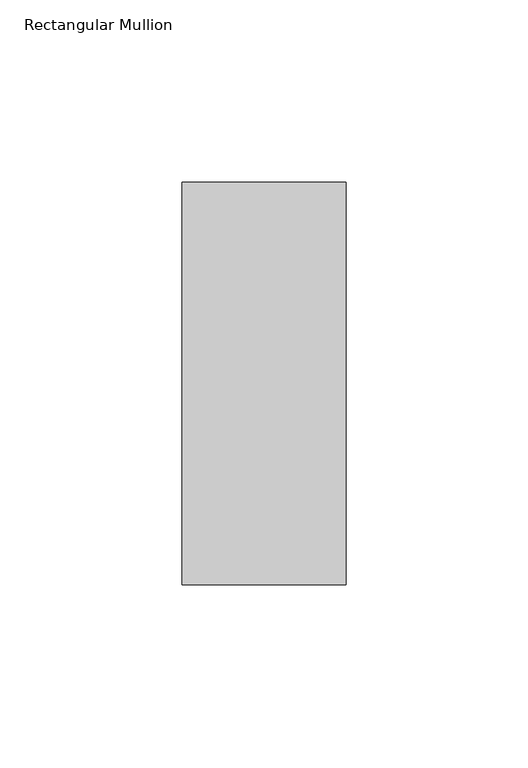
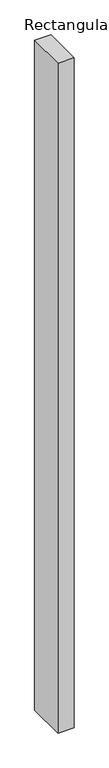
"""IFC4 building model written with IfcOpenShell, lengths in millimetres: member geometry, Rectangular Mullion."""

from ifc_helpers import new_model, si_unit, frame, origin, place, context, project, spatial, polyline, outline, extrude, source, transform, mapped, element, save


def rectangular_mullion_e9749d52(model_context):
    return source(origin(), model_context, "Body", "SweptSolid", [
        extrude(outline(polyline([(0.0, -70.7), (-45.0, -70.7), (-45.0, 39.7), (0.0, 39.7), (0.0, -70.7)])), frame((0.0, 0.0, -1951.8), z_axis=(0.0, 0.0, 1.0), x_axis=(1.0, 0.0, 0.0)), (0.0, 0.0, 1.0), 1951.8),
    ])


if __name__ == "__main__":
    model = new_model("IFC4")
    model_context = context("Model", 3, world=origin())
    ifc_project = project(units=[si_unit("LENGTHUNIT", "METRE", prefix="MILLI")], contexts=[model_context])
    site = spatial("IfcSite", under=ifc_project)
    building = spatial("IfcBuilding", under=site)
    placement = place(None, origin())
    rectangular_mullion_shape = rectangular_mullion_e9749d52(model_context)
    element("IfcMember", 1, ObjectType="Rectangular Mullion", at=placement, inside=building, context=model_context, shape_type="MappedRepresentation", body=[
        mapped(rectangular_mullion_shape, transform((0.0, 0.0, 0.0), x_axis=(1.0, 0.0, 0.0), y_axis=(0.0, 1.0, 0.0), z_axis=(0.0, 0.0, 1.0))),
    ])
    save(model, "model.ifc")
